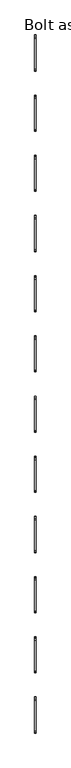
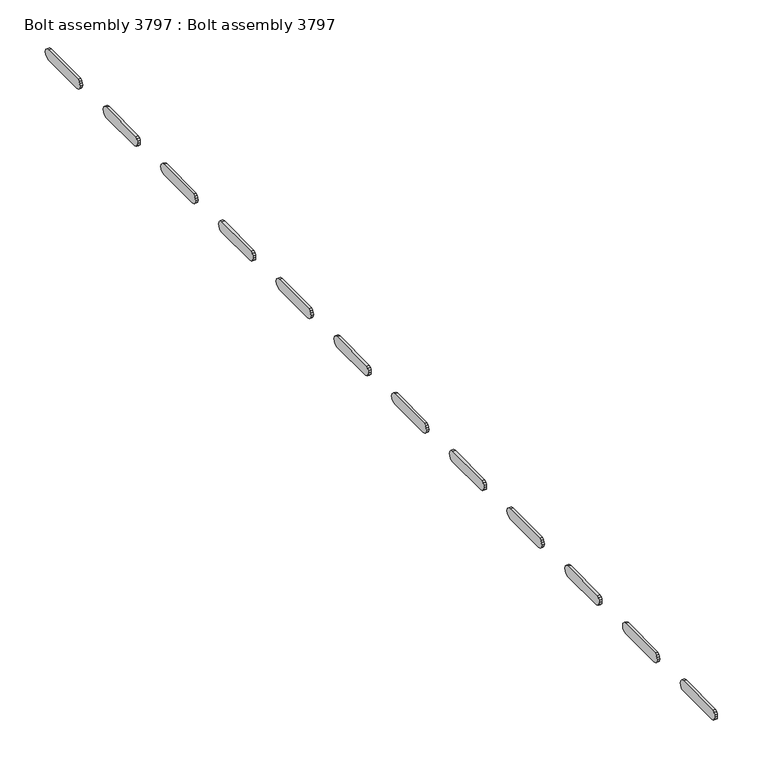
"""IFC4 building model written with IfcOpenShell, lengths in millimetres: proxy geometry, Bolt assembly 3797 : Bolt assembly 3797."""

from ifc_helpers import new_model, si_unit, frame, origin, place, context, project, spatial, polyline, outline, extrude, source, transform, mapped, element, save


def bolt_assembly_3797_bolt_assembly_3797_fa4c749a(model_context):
    return source(origin(), model_context, "Body", "SweptSolid", [
        extrude(outline(polyline([(991.1438808, -70.2907284), (992.6927221, -67.9727236), (995.010727, -66.4238823), (1059.6549999, -65.8800015), (1063.2274999, -66.83725), (1065.8427514, -69.4525015), (1066.7999999, -73.0250015), (1065.8427514, -76.5975015), (1063.2274999, -79.212753), (1059.6549999, -80.1700015), (997.7450001, -80.1700015), (994.1725001, -79.212753), (991.5572486, -76.5975015), (990.6000001, -73.0250015), (991.1438808, -70.2907284)])), frame((-4.7625008, 0.0, 0.0), z_axis=(1.0, 0.0, 0.0), x_axis=(0.0, 1.0, 0.0)), (0.0, 0.0, 1.0), 3.275),
        extrude(outline(polyline([(1118.1438808, -70.2907284), (1119.6927221, -67.9727236), (1122.010727, -66.4238823), (1186.6549999, -65.8800015), (1190.2274999, -66.83725), (1192.8427514, -69.4525015), (1193.7999999, -73.0250015), (1192.8427514, -76.5975015), (1190.2274999, -79.212753), (1186.6549999, -80.1700015), (1124.7450001, -80.1700015), (1121.1725001, -79.212753), (1118.5572486, -76.5975015), (1117.6000001, -73.0250015), (1118.1438808, -70.2907284)])), frame((-4.7625008, 0.0, 0.0), z_axis=(1.0, 0.0, 0.0), x_axis=(0.0, 1.0, 0.0)), (0.0, 0.0, 1.0), 3.275),
        extrude(outline(polyline([(1245.1438808, -70.2907284), (1246.6927221, -67.9727236), (1249.010727, -66.4238823), (1313.6549999, -65.8800015), (1317.2274999, -66.83725), (1319.8427514, -69.4525015), (1320.7999999, -73.0250015), (1319.8427514, -76.5975015), (1317.2274999, -79.212753), (1313.6549999, -80.1700015), (1251.7450001, -80.1700015), (1248.1725001, -79.212753), (1245.5572486, -76.5975015), (1244.6000001, -73.0250015), (1245.1438808, -70.2907284)])), frame((-4.7625008, 0.0, 0.0), z_axis=(1.0, 0.0, 0.0), x_axis=(0.0, 1.0, 0.0)), (0.0, 0.0, 1.0), 3.275),
        extrude(outline(polyline([(1372.1438808, -70.2907284), (1373.6927221, -67.9727236), (1376.010727, -66.4238823), (1440.6549999, -65.8800015), (1444.2274999, -66.83725), (1446.8427514, -69.4525015), (1447.7999999, -73.0250015), (1446.8427514, -76.5975015), (1444.2274999, -79.212753), (1440.6549999, -80.1700015), (1378.7450001, -80.1700015), (1375.1725001, -79.212753), (1372.5572486, -76.5975015), (1371.6000001, -73.0250015), (1372.1438808, -70.2907284)])), frame((-4.7625008, 0.0, 0.0), z_axis=(1.0, 0.0, 0.0), x_axis=(0.0, 1.0, 0.0)), (0.0, 0.0, 1.0), 3.275),
        extrude(outline(polyline([(1499.1438808, -70.2907284), (1500.6927221, -67.9727236), (1503.010727, -66.4238823), (1567.6549999, -65.8800015), (1571.2274999, -66.83725), (1573.8427514, -69.4525015), (1574.7999999, -73.0250015), (1573.8427514, -76.5975015), (1571.2274999, -79.212753), (1567.6549999, -80.1700015), (1505.7450001, -80.1700015), (1502.1725001, -79.212753), (1499.5572486, -76.5975015), (1498.6000001, -73.0250015), (1499.1438808, -70.2907284)])), frame((-4.7625008, 0.0, 0.0), z_axis=(1.0, 0.0, 0.0), x_axis=(0.0, 1.0, 0.0)), (0.0, 0.0, 1.0), 3.275),
        extrude(outline(polyline([(1626.1438808, -70.2907284), (1627.6927221, -67.9727236), (1630.010727, -66.4238823), (1694.6549999, -65.8800015), (1698.2274999, -66.83725), (1700.8427514, -69.4525015), (1701.7999999, -73.0250015), (1700.8427514, -76.5975015), (1698.2274999, -79.212753), (1694.6549999, -80.1700015), (1632.7450001, -80.1700015), (1629.1725001, -79.212753), (1626.5572486, -76.5975015), (1625.6000001, -73.0250015), (1626.1438808, -70.2907284)])), frame((-4.7625008, 0.0, 0.0), z_axis=(1.0, 0.0, 0.0), x_axis=(0.0, 1.0, 0.0)), (0.0, 0.0, 1.0), 3.275),
        extrude(outline(polyline([(1753.1438808, -70.2907284), (1754.6927221, -67.9727236), (1757.010727, -66.4238823), (1821.6549999, -65.8800015), (1825.2274999, -66.83725), (1827.8427514, -69.4525015), (1828.7999999, -73.0250015), (1827.8427514, -76.5975015), (1825.2274999, -79.212753), (1821.6549999, -80.1700015), (1759.7450001, -80.1700015), (1756.1725001, -79.212753), (1753.5572486, -76.5975015), (1752.6000001, -73.0250015), (1753.1438808, -70.2907284)])), frame((-4.7625008, 0.0, 0.0), z_axis=(1.0, 0.0, 0.0), x_axis=(0.0, 1.0, 0.0)), (0.0, 0.0, 1.0), 3.275),
        extrude(outline(polyline([(1880.1438808, -70.2907284), (1881.6927221, -67.9727236), (1884.010727, -66.4238823), (1948.6549999, -65.8800015), (1952.2274999, -66.83725), (1954.8427514, -69.4525015), (1955.7999999, -73.0250015), (1954.8427514, -76.5975015), (1952.2274999, -79.212753), (1948.6549999, -80.1700015), (1886.7450001, -80.1700015), (1883.1725001, -79.212753), (1880.5572486, -76.5975015), (1879.6000001, -73.0250015), (1880.1438808, -70.2907284)])), frame((-4.7625008, 0.0, 0.0), z_axis=(1.0, 0.0, 0.0), x_axis=(0.0, 1.0, 0.0)), (0.0, 0.0, 1.0), 3.275),
        extrude(outline(polyline([(2007.1438808, -70.2907284), (2008.6927221, -67.9727236), (2011.010727, -66.4238823), (2075.6549999, -65.8800015), (2079.2274999, -66.83725), (2081.8427514, -69.4525015), (2082.7999999, -73.0250015), (2081.8427514, -76.5975015), (2079.2274999, -79.212753), (2075.6549999, -80.1700015), (2013.7450001, -80.1700015), (2010.1725001, -79.212753), (2007.5572486, -76.5975015), (2006.6000001, -73.0250015), (2007.1438808, -70.2907284)])), frame((-4.7625008, 0.0, 0.0), z_axis=(1.0, 0.0, 0.0), x_axis=(0.0, 1.0, 0.0)), (0.0, 0.0, 1.0), 3.275),
        extrude(outline(polyline([(2134.1438808, -70.2907284), (2135.6927221, -67.9727236), (2138.010727, -66.4238823), (2202.6549999, -65.8800015), (2206.2274999, -66.83725), (2208.8427514, -69.4525015), (2209.7999999, -73.0250015), (2208.8427514, -76.5975015), (2206.2274999, -79.212753), (2202.6549999, -80.1700015), (2140.7450001, -80.1700015), (2137.1725001, -79.212753), (2134.5572486, -76.5975015), (2133.6000001, -73.0250015), (2134.1438808, -70.2907284)])), frame((-4.7625008, 0.0, 0.0), z_axis=(1.0, 0.0, 0.0), x_axis=(0.0, 1.0, 0.0)), (0.0, 0.0, 1.0), 3.275),
        extrude(outline(polyline([(2261.1438808, -70.2907284), (2262.6927221, -67.9727236), (2265.010727, -66.4238823), (2329.6549999, -65.8800015), (2333.2274999, -66.83725), (2335.8427514, -69.4525015), (2336.7999999, -73.0250015), (2335.8427514, -76.5975015), (2333.2274999, -79.212753), (2329.6549999, -80.1700015), (2267.7450001, -80.1700015), (2264.1725001, -79.212753), (2261.5572486, -76.5975015), (2260.6000001, -73.0250015), (2261.1438808, -70.2907284)])), frame((-4.7625008, 0.0, 0.0), z_axis=(1.0, 0.0, 0.0), x_axis=(0.0, 1.0, 0.0)), (0.0, 0.0, 1.0), 3.275),
        extrude(outline(polyline([(2388.1438808, -70.2907284), (2389.6927221, -67.9727236), (2392.010727, -66.4238823), (2456.6549999, -65.8800015), (2460.2274999, -66.83725), (2462.8427514, -69.4525015), (2463.7999999, -73.0250015), (2462.8427514, -76.5975015), (2460.2274999, -79.212753), (2456.6549999, -80.1700015), (2394.7450001, -80.1700015), (2391.1725001, -79.212753), (2388.5572486, -76.5975015), (2387.6000001, -73.0250015), (2388.1438808, -70.2907284)])), frame((-4.7625008, 0.0, 0.0), z_axis=(1.0, 0.0, 0.0), x_axis=(0.0, 1.0, 0.0)), (0.0, 0.0, 1.0), 3.275),
    ])


if __name__ == "__main__":
    model = new_model("IFC4")
    model_context = context("Model", 3, world=origin())
    ifc_project = project(units=[si_unit("LENGTHUNIT", "METRE", prefix="MILLI")], contexts=[model_context])
    site = spatial("IfcSite", under=ifc_project)
    building = spatial("IfcBuilding", under=site)
    placement = place(None, origin())
    bolt_assembly_3797_bolt_assembly_3797_shape = bolt_assembly_3797_bolt_assembly_3797_fa4c749a(model_context)
    element("IfcBuildingElementProxy", 1, Name="Bolt assembly 3797 : Bolt assembly 3797", ObjectType="Bolt assembly 3797 : Bolt assembly 3797", at=placement, inside=building, context=model_context, shape_type="MappedRepresentation", body=[
        mapped(bolt_assembly_3797_bolt_assembly_3797_shape, transform((0.0, 0.0, 0.0), x_axis=(1.0, 0.0, 0.0), y_axis=(0.0, 1.0, 0.0), z_axis=(0.0, 0.0, 1.0))),
    ])
    save(model, "model.ifc")
